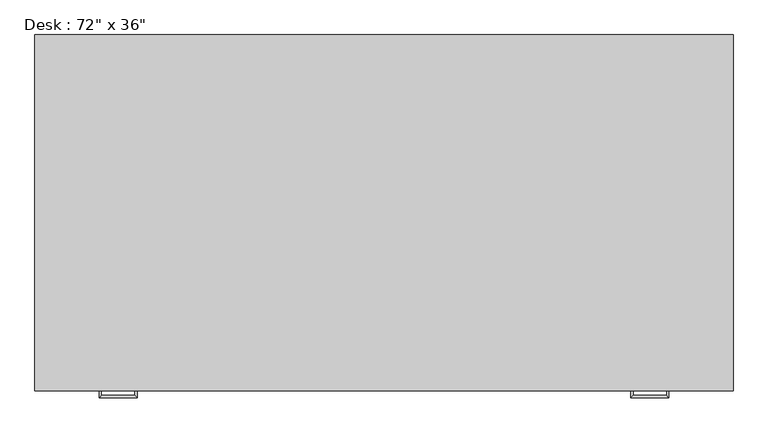
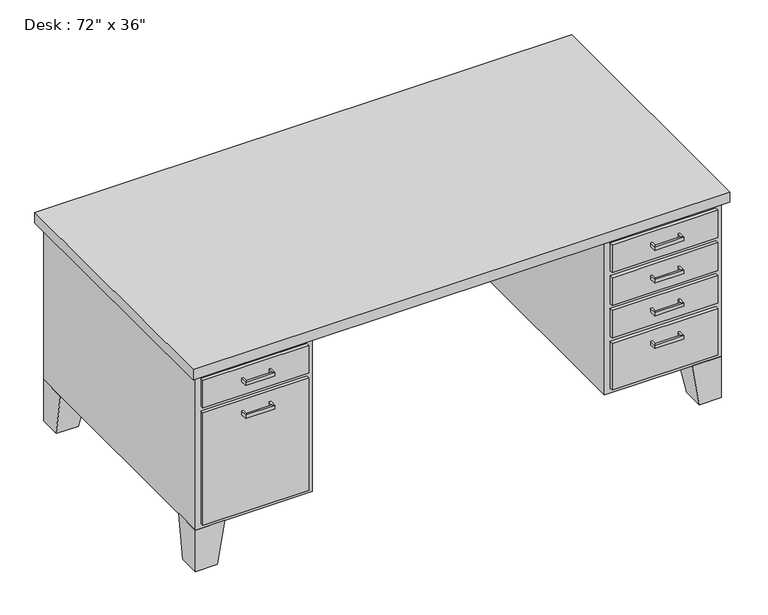
"""IFC4 building model written with IfcOpenShell, lengths in millimetres: furniture geometry."""

from ifc_helpers import new_model, si_unit, frame, origin, place, context, project, spatial, polyline, outline, extrude, faceted_brep, source, transform, mapped, element, save


def furniture_95783df2(model_context):
    return source(origin(), model_context, "Body", "SolidModel", [
        extrude(outline(polyline([(-133.35, -76.2), (234.95, -76.2), (234.95, -88.9), (-133.35, -88.9), (-133.35, -76.2)])), frame((0.0, 0.0, 603.25), z_axis=(0.0, 0.0, 1.0), x_axis=(1.0, 0.0, 0.0)), (0.0, 0.0, 1.0), 101.6),
        extrude(outline(polyline([(-133.35, -76.2), (234.95, -76.2), (234.95, -88.9), (-133.35, -88.9), (-133.35, -76.2)])), frame((0.0, 0.0, 171.45), z_axis=(0.0, 0.0, 1.0), x_axis=(1.0, 0.0, 0.0)), (0.0, 0.0, 1.0), 412.75),
        extrude(outline(polyline([(1289.05, -76.2), (1657.35, -76.2), (1657.35, -88.9), (1289.05, -88.9), (1289.05, -76.2)])), frame((0.0, 0.0, 603.25), z_axis=(0.0, 0.0, 1.0), x_axis=(1.0, 0.0, 0.0)), (0.0, 0.0, 1.0), 101.6),
        extrude(outline(polyline([(1289.05, -76.2), (1657.35, -76.2), (1657.35, -88.9), (1289.05, -88.9), (1289.05, -76.2)])), frame((0.0, 0.0, 171.45), z_axis=(0.0, 0.0, 1.0), x_axis=(1.0, 0.0, 0.0)), (0.0, 0.0, 1.0), 171.45),
        extrude(outline(polyline([(1289.05, -76.2), (1657.35, -76.2), (1657.35, -88.9), (1289.05, -88.9), (1289.05, -76.2)])), frame((0.0, 0.0, 482.6), z_axis=(0.0, 0.0, 1.0), x_axis=(1.0, 0.0, 0.0)), (0.0, 0.0, 1.0), 101.6),
        extrude(outline(polyline([(1289.05, -76.2), (1657.35, -76.2), (1657.35, -88.9), (1289.05, -88.9), (1289.05, -76.2)])), frame((0.0, 0.0, 361.95), z_axis=(0.0, 0.0, 1.0), x_axis=(1.0, 0.0, 0.0)), (0.0, 0.0, 1.0), 101.6),
        faceted_brep([(-50.8, -76.2, 152.4), (-50.8, 25.4, 152.4), (-152.4, 25.4, 152.4), (-152.4, -76.2, 152.4), (-76.2, -76.2, 0.0), (-152.4, -76.2, 0.0), (-152.4, 0.0, 0.0), (-76.2, 0.0, 0.0)], [[[0, 1, 2, 3]], [[4, 5, 6, 7]], [[4, 7, 1, 0]], [[7, 6, 2, 1]], [[6, 5, 3, 2]], [[5, 4, 0, 3]]]),
        faceted_brep([(-50.8, 838.2, 152.4), (-152.4, 838.2, 152.4), (-152.4, 736.6, 152.4), (-50.8, 736.6, 152.4), (-76.2, 838.2, 0.0), (-76.2, 762.0, 0.0), (-152.4, 762.0, 0.0), (-152.4, 838.2, 0.0)], [[[0, 1, 2, 3]], [[4, 5, 6, 7]], [[4, 7, 1, 0]], [[7, 6, 2, 1]], [[6, 5, 3, 2]], [[5, 4, 0, 3]]]),
        faceted_brep([(1574.8, 838.2, 152.4), (1574.8, 736.6, 152.4), (1676.4, 736.6, 152.4), (1676.4, 838.2, 152.4), (1600.2, 838.2, 0.0), (1676.4, 838.2, 0.0), (1676.4, 762.0, 0.0), (1600.2, 762.0, 0.0)], [[[0, 1, 2, 3]], [[4, 5, 6, 7]], [[4, 7, 1, 0]], [[7, 6, 2, 1]], [[6, 5, 3, 2]], [[5, 4, 0, 3]]]),
        faceted_brep([(1574.8, -76.2, 152.4), (1676.4, -76.2, 152.4), (1676.4, 25.4, 152.4), (1574.8, 25.4, 152.4), (1600.2, -76.2, 0.0), (1600.2, 0.0, 0.0), (1676.4, 0.0, 0.0), (1676.4, -76.2, 0.0)], [[[0, 1, 2, 3]], [[4, 5, 6, 7]], [[4, 7, 1, 0]], [[7, 6, 2, 1]], [[6, 5, 3, 2]], [[5, 4, 0, 3]]]),
        extrude(outline(polyline([(-171.45, -95.25), (-171.45, 857.25), (1695.45, 857.25), (1695.45, -95.25), (-171.45, -95.25)])), frame((0.0, 0.0, 723.9), z_axis=(0.0, 0.0, 1.0), x_axis=(1.0, 0.0, 0.0)), (0.0, 0.0, 1.0), 38.1),
        extrude(outline(polyline([(1270.0, -76.2), (1270.0, 711.2), (254.0, 711.2), (254.0, -76.2), (-152.4, -76.2), (-152.4, 838.2), (1676.4, 838.2), (1676.4, -76.2), (1270.0, -76.2)])), frame((0.0, 0.0, 152.4), z_axis=(0.0, 0.0, 1.0), x_axis=(1.0, 0.0, 0.0)), (0.0, 0.0, 1.0), 571.5),
        faceted_brep([(6.35, -88.9, 546.1), (6.35, -88.9, 533.4), (0.0, -88.9, 533.4), (0.0, -88.9, 546.1), (6.35, -107.95, 546.1), (6.35, -107.95, 533.4), (0.0, -114.3, 533.4), (0.0, -114.3, 546.1), (95.25, -107.95, 546.1), (95.25, -107.95, 533.4), (101.6, -114.3, 533.4), (101.6, -114.3, 546.1), (95.25, -88.9, 546.1), (101.6, -88.9, 546.1), (101.6, -88.9, 533.4), (95.25, -88.9, 533.4)], [[[0, 1, 2, 3]], [[1, 0, 4, 5]], [[2, 1, 5, 6]], [[3, 2, 6, 7]], [[0, 3, 7, 4]], [[5, 4, 8, 9]], [[6, 5, 9, 10]], [[7, 6, 10, 11]], [[4, 7, 11, 8]], [[12, 13, 14, 15]], [[9, 8, 12, 15]], [[10, 9, 15, 14]], [[11, 10, 14, 13]], [[8, 11, 13, 12]]]),
        faceted_brep([(6.35, -88.9, 666.75), (6.35, -88.9, 654.05), (0.0, -88.9, 654.05), (0.0, -88.9, 666.75), (6.35, -107.95, 666.75), (6.35, -107.95, 654.05), (0.0, -114.3, 654.05), (0.0, -114.3, 666.75), (95.25, -107.95, 666.75), (95.25, -107.95, 654.05), (101.6, -114.3, 654.05), (101.6, -114.3, 666.75), (95.25, -88.9, 666.75), (101.6, -88.9, 666.75), (101.6, -88.9, 654.05), (95.25, -88.9, 654.05)], [[[0, 1, 2, 3]], [[1, 0, 4, 5]], [[2, 1, 5, 6]], [[3, 2, 6, 7]], [[0, 3, 7, 4]], [[5, 4, 8, 9]], [[6, 5, 9, 10]], [[7, 6, 10, 11]], [[4, 7, 11, 8]], [[12, 13, 14, 15]], [[9, 8, 12, 15]], [[10, 9, 15, 14]], [[11, 10, 14, 13]], [[8, 11, 13, 12]]]),
        faceted_brep([(1517.65, -88.9, 304.8), (1524.0, -88.9, 304.8), (1524.0, -88.9, 292.1), (1517.65, -88.9, 292.1), (1517.65, -107.95, 304.8), (1524.0, -114.3, 304.8), (1524.0, -114.3, 292.1), (1517.65, -107.95, 292.1), (1428.75, -107.95, 304.8), (1422.4, -114.3, 304.8), (1422.4, -114.3, 292.1), (1428.75, -107.95, 292.1), (1428.75, -88.9, 304.8), (1428.75, -88.9, 292.1), (1422.4, -88.9, 292.1), (1422.4, -88.9, 304.8)], [[[0, 1, 2, 3]], [[1, 0, 4, 5]], [[2, 1, 5, 6]], [[3, 2, 6, 7]], [[0, 3, 7, 4]], [[5, 4, 8, 9]], [[6, 5, 9, 10]], [[7, 6, 10, 11]], [[4, 7, 11, 8]], [[12, 13, 14, 15]], [[9, 8, 12, 15]], [[10, 9, 15, 14]], [[11, 10, 14, 13]], [[8, 11, 13, 12]]]),
        faceted_brep([(1517.65, -88.9, 425.45), (1524.0, -88.9, 425.45), (1524.0, -88.9, 412.75), (1517.65, -88.9, 412.75), (1517.65, -107.95, 425.45), (1524.0, -114.3, 425.45), (1524.0, -114.3, 412.75), (1517.65, -107.95, 412.75), (1428.75, -107.95, 425.45), (1422.4, -114.3, 425.45), (1422.4, -114.3, 412.75), (1428.75, -107.95, 412.75), (1428.75, -88.9, 425.45), (1428.75, -88.9, 412.75), (1422.4, -88.9, 412.75), (1422.4, -88.9, 425.45)], [[[0, 1, 2, 3]], [[1, 0, 4, 5]], [[2, 1, 5, 6]], [[3, 2, 6, 7]], [[0, 3, 7, 4]], [[5, 4, 8, 9]], [[6, 5, 9, 10]], [[7, 6, 10, 11]], [[4, 7, 11, 8]], [[12, 13, 14, 15]], [[9, 8, 12, 15]], [[10, 9, 15, 14]], [[11, 10, 14, 13]], [[8, 11, 13, 12]]]),
        faceted_brep([(1517.65, -88.9, 546.1), (1524.0, -88.9, 546.1), (1524.0, -88.9, 533.4), (1517.65, -88.9, 533.4), (1517.65, -107.95, 546.1), (1524.0, -114.3, 546.1), (1524.0, -114.3, 533.4), (1517.65, -107.95, 533.4), (1428.75, -107.95, 546.1), (1422.4, -114.3, 546.1), (1422.4, -114.3, 533.4), (1428.75, -107.95, 533.4), (1428.75, -88.9, 546.1), (1428.75, -88.9, 533.4), (1422.4, -88.9, 533.4), (1422.4, -88.9, 546.1)], [[[0, 1, 2, 3]], [[1, 0, 4, 5]], [[2, 1, 5, 6]], [[3, 2, 6, 7]], [[0, 3, 7, 4]], [[5, 4, 8, 9]], [[6, 5, 9, 10]], [[7, 6, 10, 11]], [[4, 7, 11, 8]], [[12, 13, 14, 15]], [[9, 8, 12, 15]], [[10, 9, 15, 14]], [[11, 10, 14, 13]], [[8, 11, 13, 12]]]),
        faceted_brep([(1517.65, -88.9, 666.75), (1524.0, -88.9, 666.75), (1524.0, -88.9, 654.05), (1517.65, -88.9, 654.05), (1517.65, -107.95, 666.75), (1524.0, -114.3, 666.75), (1524.0, -114.3, 654.05), (1517.65, -107.95, 654.05), (1428.75, -107.95, 666.75), (1422.4, -114.3, 666.75), (1422.4, -114.3, 654.05), (1428.75, -107.95, 654.05), (1428.75, -88.9, 666.75), (1428.75, -88.9, 654.05), (1422.4, -88.9, 654.05), (1422.4, -88.9, 666.75)], [[[0, 1, 2, 3]], [[1, 0, 4, 5]], [[2, 1, 5, 6]], [[3, 2, 6, 7]], [[0, 3, 7, 4]], [[5, 4, 8, 9]], [[6, 5, 9, 10]], [[7, 6, 10, 11]], [[4, 7, 11, 8]], [[12, 13, 14, 15]], [[9, 8, 12, 15]], [[10, 9, 15, 14]], [[11, 10, 14, 13]], [[8, 11, 13, 12]]]),
    ])


if __name__ == "__main__":
    model = new_model("IFC4")
    model_context = context("Model", 3, world=origin())
    ifc_project = project(units=[si_unit("LENGTHUNIT", "METRE", prefix="MILLI")], contexts=[model_context])
    site = spatial("IfcSite", under=ifc_project)
    building = spatial("IfcBuilding", under=site)
    placement = place(None, origin())
    furniture_shape = furniture_95783df2(model_context)
    element("IfcFurniture", 1, ObjectType="Desk : 72\" x 36\"", at=placement, inside=building, context=model_context, shape_type="MappedRepresentation", body=[
        mapped(furniture_shape, transform((0.0, 0.0, 0.0), x_axis=(1.0, 0.0, 0.0), y_axis=(0.0, 1.0, 0.0), z_axis=(0.0, 0.0, 1.0))),
    ])
    save(model, "model.ifc")
